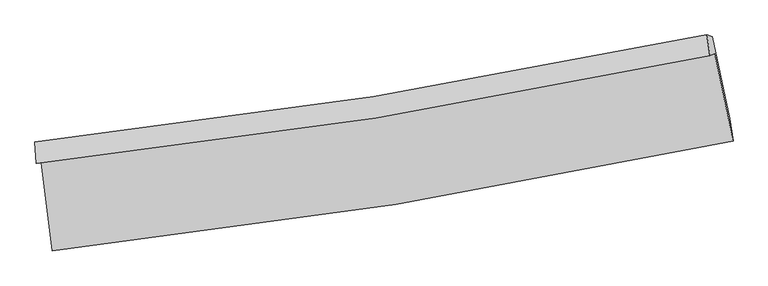
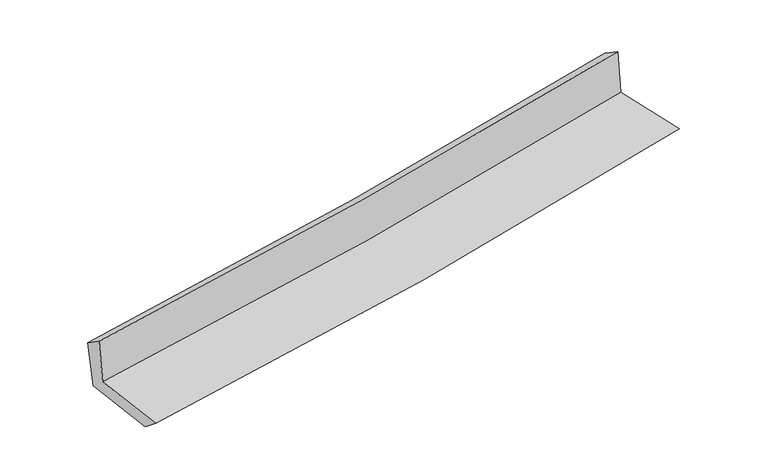
"""IFC4 building model written with IfcOpenShell, lengths in millimetres: proxy geometry."""

from ifc_helpers import new_model, si_unit, frame, origin, place, context, project, spatial, source, transform, mapped, element, save
from ifc_brep_helpers import plane_surface, spline_curve, spline_surface, advanced_brep


def generic_models_1ead5e25(model_context):
    return source(origin(), model_context, "Body", "AdvancedBrep", [
        advanced_brep(
        [(-2543.7671123, -1887.0944488, 1664.3674647), (-2460.4578322, -2548.2277365, 1649.3268553), (2617.4714186, -1726.8542026, 2112.105113), (2480.0675469, -1074.245828, 2102.9905576), (-2579.7822427, -1895.3762049, 2057.3059478), (2445.0736222, -1091.149858, 2504.3116584), (-2589.5497927, -1736.3923128, 1952.0190395), (2421.8185599, -935.3996219, 2402.9135237), (-2549.4061133, -1752.2368757, 1546.9857453), (2461.9252194, -950.1317372, 2018.1400761), (-2467.6288988, -2402.3438007, 1533.7090941), (2592.2668463, -1561.785813, 2010.4479713)],
        [
            (0, 1),
            (1, 2, spline_curve(3, [(-2460.4578322, -2548.2277365, 1649.3268553), (-1603.524213971, -2455.158803265, 1725.274842468), (-750.086446412, -2339.785517756, 1801.983296883), (942.496840306, -2065.612820409, 1956.255723946), (1781.702156027, -1907.194927888, 2033.806688812), (2617.4714186, -1726.8542026, 2112.105113)], [4, 2, 4], [0.0, 8.465277879834577, 16.857843532149786])),
            (2, 3),
            (3, 0, spline_curve(3, [(2480.0675469, -1074.245828, 2102.9905576), (1653.102868163, -1249.433243261, 2029.299771129), (822.787911434, -1404.559072676, 1956.058165402), (-851.765337336, -1675.857741463, 1809.842650768), (-1696.061933682, -1791.681452185, 1736.876558862), (-2543.7671123, -1887.0944488, 1664.3674647)], [4, 2, 4], [0.0, 8.39256565231521, 16.857843532149786])),
            (4, 0),
            (3, 5),
            (5, 4, spline_curve(3, [(2445.0736222, -1091.149858, 2504.3116584), (1617.741906927, -1267.94169012, 2435.279658694), (787.158272775, -1423.160850349, 2363.684955266), (-887.7370895, -1691.611724717, 2214.727650255), (-1732.105410248, -1804.468013577, 2137.32044998), (-2579.7822427, -1895.3762049, 2057.3059478)], [4, 2, 4], [0.0, 8.346560460427385, 16.7654345646611])),
            (6, 4),
            (5, 7),
            (7, 6, spline_curve(3, [(2421.8185599, -935.3996219, 2402.9135237), (1596.232337817, -1110.950983397, 2338.285286733), (767.63949872, -1265.280081251, 2268.580687349), (-902.764294952, -1532.646972316, 2118.370868959), (-1744.62757359, -1645.315438173, 2037.777307046), (-2589.5497927, -1736.3923128, 1952.0190395)], [4, 2, 4], [0.0, 8.33615358465215, 16.744530649130926])),
            (8, 6),
            (7, 9),
            (9, 8, spline_curve(3, [(2461.9252194, -950.1317372, 2018.1400761), (1637.019849386, -1126.138660702, 1943.529160293), (808.771963075, -1280.788427973, 1867.137904859), (-861.613645269, -1548.528482745, 1710.117444192), (-1703.80953657, -1661.247094769, 1629.457256189), (-2549.4061133, -1752.2368757, 1546.9857453)], [4, 2, 4], [0.0, 8.326732037482193, 16.725605927585484])),
            (10, 8),
            (9, 11),
            (11, 10, spline_curve(3, [(2592.2668463, -1561.785813, 2010.4479713), (1759.879448342, -1747.908063076, 1934.847899855), (923.862214758, -1910.814129668, 1857.498560174), (-762.706530997, -2191.404153079, 1698.616043147), (-1613.321212316, -2308.684082231, 1617.052423714), (-2467.6288988, -2402.3438007, 1533.7090941)], [4, 2, 4], [0.0, 8.372990808878777, 16.81852425107551])),
            (1, 10),
            (11, 2),
        ],
        [
            spline_surface(3, 3, [[(-2543.7671123, -1887.0944488, 1664.3674647), (-1696.061933785, -1791.681452168, 1736.876558813), (-851.765337312, -1675.857741433, 1809.842650759), (822.787911411, -1404.559072705, 1956.058165411), (1653.102868039, -1249.433243212, 2029.299771102), (2480.0675469, -1074.245828, 2102.9905576)], [(-2515.997352258, -2107.472211378, 1659.353928242), (-1665.216027216, -2012.840569174, 1733.009319999), (-817.872373645, -1897.167000228, 1807.222866104), (862.690887677, -1624.910321945, 1956.124018257), (1695.969297388, -1468.687138098, 2030.802076991), (2525.86883748, -1291.781952886, 2106.028742751)], [(-2488.227592242, -2327.849973922, 1654.340391758), (-1634.370120673, -2233.999686144, 1729.142081158), (-783.979409981, -2118.476258984, 1804.603081492), (902.593863942, -1845.261571147, 1956.189871146), (1738.835726697, -1687.941032927, 2032.304382828), (2571.67012802, -1509.318077714, 2109.066927849)], [(-2460.4578322, -2548.2277365, 1649.3268553), (-1603.524214103, -2455.15880315, 1725.274842344), (-750.086446314, -2339.785517778, 1801.983296837), (942.496840209, -2065.612820387, 1956.255723991), (1781.702156045, -1907.194927814, 2033.806688718), (2617.4714186, -1726.8542026, 2112.105113)]], [4, 4], [4, 2, 4], [0.0, 2.2036919945130458], [0.0, 8.465277879834577, 16.857843532149786]),
            spline_surface(3, 3, [[(-2579.7822427, -1895.3762049, 2057.3059478), (-1732.105410296, -1804.468013641, 2137.320449961), (-887.737089537, -1691.61172483, 2214.727650137), (787.158272811, -1423.160850237, 2363.684955383), (1617.741907041, -1267.941690087, 2435.279658703), (2445.0736222, -1091.149858, 2504.3116584)], [(-2567.777199229, -1892.61561955, 1926.326453425), (-1720.090918122, -1800.2058265, 2003.839152904), (-875.746505448, -1686.36039701, 2079.765983684), (799.034819025, -1416.960257705, 2227.809358732), (1629.528894038, -1261.772207796, 2299.953029474), (2456.738263765, -1085.515181334, 2370.537958105)], [(-2555.772155771, -1889.85503415, 1795.346959075), (-1708.07642596, -1795.943639309, 1870.35785587), (-863.755921401, -1681.109069253, 1944.804317212), (810.911365197, -1410.759665237, 2091.933762062), (1641.315881042, -1255.602725503, 2164.626400331), (2468.402905335, -1079.880504666, 2236.764257895)], [(-2543.7671123, -1887.0944488, 1664.3674647), (-1696.061933785, -1791.681452168, 1736.876558813), (-851.765337312, -1675.857741433, 1809.842650759), (822.787911411, -1404.559072705, 1956.058165411), (1653.102868039, -1249.433243212, 2029.299771102), (2480.0675469, -1074.245828, 2102.9905576)]], [4, 4], [4, 2, 4], [0.0, 1.3391717935202916], [0.0, 8.418874104233714, 16.7654345646611]),
            spline_surface(3, 3, [[(-2589.5497927, -1736.3923128, 1952.0190395), (-1744.627573636, -1645.315438087, 2037.777307144), (-902.764295069, -1532.64697237, 2118.370868998), (767.639498836, -1265.280081197, 2268.58068731), (1596.232337754, -1110.95098331, 2338.285286838), (2421.8185599, -935.3996219, 2402.9135237)], [(-2586.293942693, -1789.386943473, 1987.114675589), (-1740.453519182, -1698.366296578, 2070.958354739), (-897.75522658, -1585.635223193, 2150.489796056), (774.145756806, -1317.907004213, 2300.282110013), (1603.402194155, -1163.281218886, 2370.616744125), (2429.570247305, -987.316367251, 2436.712901932)], [(-2583.038092707, -1842.381574227, 2022.210311711), (-1736.27946475, -1751.41715515, 2104.139402366), (-892.746158025, -1638.623474008, 2182.608723079), (780.652014842, -1370.533927221, 2331.983532681), (1610.57205064, -1215.61145451, 2402.948201416), (2437.321934795, -1039.233112649, 2470.512280168)], [(-2579.7822427, -1895.3762049, 2057.3059478), (-1732.105410296, -1804.468013641, 2137.320449961), (-887.737089537, -1691.61172483, 2214.727650137), (787.158272811, -1423.160850237, 2363.684955383), (1617.741907041, -1267.941690087, 2435.279658703), (2445.0736222, -1091.149858, 2504.3116584)]], [4, 4], [4, 2, 4], [0.0, 0.6099391786771301], [0.0, 8.408377064478776, 16.744530649130926]),
            spline_surface(3, 3, [[(-2549.4061133, -1752.2368757, 1546.9857453), (-1703.809536644, -1661.247094752, 1629.457256193), (-861.61364524, -1548.528482634, 1710.117444202), (808.771963047, -1280.788428083, 1867.137904848), (1637.019849268, -1126.138660726, 1943.529160428), (2461.9252194, -950.1317372, 2018.1400761)], [(-2562.787339792, -1746.955354743, 1681.996843387), (-1717.415549, -1655.936542541, 1765.563939864), (-875.330528523, -1543.234645872, 1846.201919133), (795.061141636, -1275.618979114, 2000.952165667), (1623.424012124, -1121.076101594, 2075.114535923), (2448.556332928, -945.221032107, 2146.397891991)], [(-2576.168566208, -1741.673833757, 1817.007941413), (-1731.02156128, -1650.625990299, 1901.670623473), (-889.047411786, -1537.940809132, 1982.286394068), (781.350320247, -1270.449530167, 2134.766426491), (1609.828174897, -1116.013542441, 2206.699911343), (2435.187446372, -940.310326993, 2274.655707809)], [(-2589.5497927, -1736.3923128, 1952.0190395), (-1744.627573636, -1645.315438087, 2037.777307144), (-902.764295069, -1532.64697237, 2118.370868998), (767.639498836, -1265.280081197, 2268.58068731), (1596.232337754, -1110.95098331, 2338.285286838), (2421.8185599, -935.3996219, 2402.9135237)]], [4, 4], [4, 2, 4], [0.0, 1.3361706828767588], [0.0, 8.39887389010329, 16.725605927585484]),
            spline_surface(3, 3, [[(-2467.6288988, -2402.3438007, 1533.7090941), (-1613.321212188, -2308.68408229, 1617.052423838), (-762.706530918, -2191.404153011, 1698.616043243), (923.862214679, -1910.814129736, 1857.498560079), (1759.879448451, -1747.908063097, 1934.847899757), (2592.2668463, -1561.785813, 2010.4479713)], [(-2494.887970289, -2185.641492374, 1538.13464447), (-1643.483986996, -2092.871753118, 1621.187367926), (-795.675568998, -1977.112262913, 1702.449843547), (885.498797495, -1700.805562546, 1860.711674987), (1718.92624871, -1540.651595627, 1937.741653298), (2548.81963732, -1357.901121054, 2013.012006217)], [(-2522.147041811, -1968.939184026, 1542.56019493), (-1673.646761836, -1877.059423924, 1625.322312105), (-828.64460716, -1762.820372732, 1706.283643898), (847.13538023, -1490.796995273, 1863.924789941), (1677.973049009, -1333.395128196, 1940.635406888), (2505.37242838, -1154.016429146, 2015.576041183)], [(-2549.4061133, -1752.2368757, 1546.9857453), (-1703.809536644, -1661.247094752, 1629.457256193), (-861.61364524, -1548.528482634, 1710.117444202), (808.771963047, -1280.788428083, 1867.137904848), (1637.019849268, -1126.138660726, 1943.529160428), (2461.9252194, -950.1317372, 2018.1400761)]], [4, 4], [4, 2, 4], [0.0, 2.117821112844647], [0.0, 8.445533442196732, 16.81852425107551]),
            spline_surface(3, 3, [[(-2460.4578322, -2548.2277365, 1649.3268553), (-1603.524214103, -2455.15880315, 1725.274842344), (-750.086446314, -2339.785517778, 1801.983296837), (942.496840209, -2065.612820387, 1956.255723991), (1781.702156045, -1907.194927814, 2033.806688718), (2617.4714186, -1726.8542026, 2112.105113)], [(-2462.848187739, -2499.599757882, 1610.787601587), (-1606.789880137, -2406.333896178, 1689.200702862), (-754.293141194, -2290.325062841, 1767.527545653), (936.285298353, -2014.013256822, 1923.336669368), (1774.427920183, -1854.099306243, 2000.820425735), (2609.069894503, -1671.831406068, 2078.219399104)], [(-2465.238543261, -2450.971779318, 1572.248347813), (-1610.055546154, -2357.508989261, 1653.12656332), (-758.499836037, -2240.864607948, 1733.071794427), (930.073756535, -1962.4136933, 1890.417614703), (1767.153684313, -1801.003684668, 1967.83416274), (2600.668370397, -1616.808609532, 2044.333685196)], [(-2467.6288988, -2402.3438007, 1533.7090941), (-1613.321212188, -2308.68408229, 1617.052423838), (-762.706530918, -2191.404153011, 1698.616043243), (923.862214679, -1910.814129736, 1857.498560079), (1759.879448451, -1747.908063097, 1934.847899757), (2592.2668463, -1561.785813, 2010.4479713)]], [4, 4], [4, 2, 4], [0.0, 0.5998842360917915], [0.0, 8.501409836051796, 16.929797090327874]),
            plane_surface(frame((2503.1038689, -1223.2611768, 2191.81815), z_axis=(0.9739836843145531, 0.2063755974426682, 0.09362102044536189), x_axis=(-0.10359771452410191, 0.038053866742207426, 0.993891048742944))),
            plane_surface(frame((-2531.765332, -2036.9452299, 1733.9523578), z_axis=(-0.9881013920395935, -0.12239144673862722, -0.09314490224721635), x_axis=(-0.12498931243964603, 0.9919014417065527, 0.022565498362028046))),
        ],
        [
            (0, [[1, 2, 3, 4]]),
            (1, [[5, -4, 6, 7]]),
            (2, [[8, -7, 9, 10]]),
            (3, [[11, -10, 12, 13]]),
            (4, [[14, -13, 15, 16]]),
            (5, [[17, -16, 18, -2]]),
            (6, [[-12, -9, -6, -3, -18, -15]]),
            (7, [[-1, -5, -8, -11, -14, -17]]),
        ],
    ),
    ])


if __name__ == "__main__":
    model = new_model("IFC4")
    model_context = context("Model", 3, world=origin())
    ifc_project = project(units=[si_unit("LENGTHUNIT", "METRE", prefix="MILLI")], contexts=[model_context])
    site = spatial("IfcSite", under=ifc_project)
    building = spatial("IfcBuilding", under=site)
    placement = place(None, origin())
    generic_models_shape = generic_models_1ead5e25(model_context)
    element("IfcBuildingElementProxy", 1, Name="Generic Models", at=placement, inside=building, context=model_context, shape_type="MappedRepresentation", body=[
        mapped(generic_models_shape, transform((0.0, 0.0, 0.0), x_axis=(1.0, 0.0, 0.0), y_axis=(0.0, 1.0, 0.0), z_axis=(0.0, 0.0, 1.0))),
    ])
    save(model, "model.ifc")
